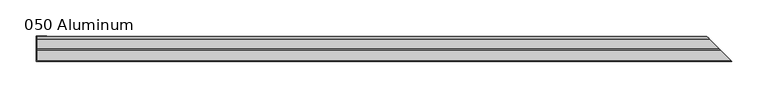
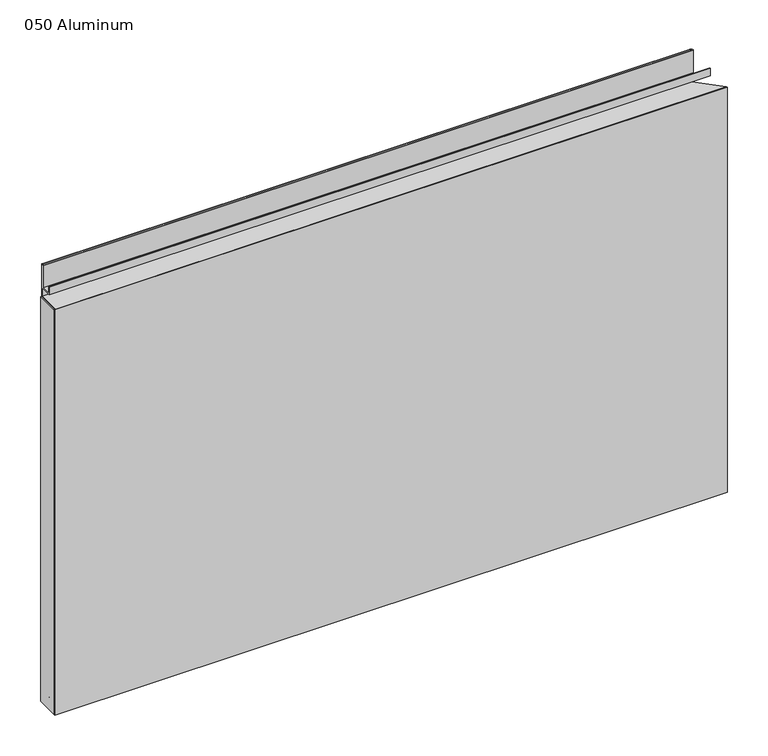
"""IFC4 building model written with IfcOpenShell, lengths in millimetres: plate geometry, 050 Aluminum."""

from ifc_helpers import new_model, si_unit, frame, origin, origin_with_axes, place, context, project, spatial, polyline, circle_curve, ellipse_curve, outline, extrude, source, transform, mapped, element, save
from ifc_brep_helpers import plane_surface, cylinder_surface, revolved_surface, advanced_brep


def plate_050_aluminum_8c71e866(model_context):
    return source(origin(), model_context, "Body", "SolidModel", [
        extrude(outline(polyline([(-459.1050001, -2.5660257), (-459.1050001, -34.7980001), (-460.375, -34.7980001), (-460.375, -1.2699999), (-446.2144995, -1.2699999), (-446.2144995, -2.5660257), (-459.1050001, -2.5660257)])), origin_with_axes(), (0.0, 0.0, 1.0), 608.33),
        advanced_brep(
        [(-459.1050001, -16.6765477, 13.1458337), (-459.1050001, -16.6765477, 2.786437), (-459.1050001, -17.9464915, 2.786437), (-459.1050001, -17.9464915, 13.1323356), (-459.1050001, -21.7564743, 13.124237), (-459.1050001, -21.7564743, 0.0), (-459.1050001, -34.7980002, 0.0), (-459.1050001, -34.7980002, 1.2693678), (-459.1050001, -23.0264743, 1.2693678), (-459.1050001, -23.0264743, 13.124237), (477.0515478, -16.6765477, 13.1458337), (477.0515478, -16.6765477, 2.786437), (478.3214916, -17.9464915, 2.786437), (478.3214916, -17.9464915, 13.1323356), (482.1314744, -21.7564743, 13.124237), (482.1314744, -21.7564743, 0.0), (495.1730001, -34.798, 0.0), (495.1730002, -34.7980002, 1.2693678), (483.4014744, -23.0264743, 1.2693678), (483.4014744, -23.0264743, 13.124237)],
        [
            (0, 1),
            (1, 2),
            (2, 3),
            (3, 4, circle_curve(frame((-459.1050001, -19.8514743, 13.124237), z_axis=(1.0, 0.0, 0.0), x_axis=(0.0, 0.0, -1.0)), 1.905)),
            (4, 5),
            (5, 6),
            (6, 7),
            (7, 8),
            (8, 9),
            (9, 0, circle_curve(frame((-459.1050001, -19.8514743, 13.124237), z_axis=(-1.0, 0.0, 0.0), x_axis=(0.0, 0.0, -1.0)), 3.175)),
            (0, 10),
            (10, 11),
            (11, 1),
            (11, 12),
            (12, 2),
            (12, 13),
            (13, 3),
            (13, 14, ellipse_curve(frame((480.2264744, -19.8514743, 13.124237), z_axis=(0.7071067811865491, 0.707106781186546, 0.0), x_axis=(0.7071067811865459, -0.7071067811865491, 0.0)), 2.6940768, 1.905)),
            (14, 4),
            (14, 15),
            (15, 5),
            (15, 16),
            (16, 6),
            (16, 17),
            (17, 7),
            (17, 18),
            (18, 8),
            (18, 19),
            (19, 9),
            (19, 10, ellipse_curve(frame((480.2264744, -19.8514743, 13.124237), z_axis=(-0.7071067811865491, -0.707106781186546, 0.0), x_axis=(-0.7071067811865459, 0.7071067811865491, 0.0)), 4.4901281, 3.175)),
        ],
        [
            plane_surface(frame((-459.1050001, -36.068, 0.0), z_axis=(-1.0, 0.0, 0.0), x_axis=(0.0, 0.0, 1.0))),
            plane_surface(frame((-459.1050001, -16.6765477, 13.1458337), z_axis=(0.0, 1.0, 0.0), x_axis=(1.0, 0.0, 0.0))),
            plane_surface(frame((-459.1050001, -16.6765477, 2.786437), z_axis=(0.0, 0.0, -1.0), x_axis=(1.0, 0.0, 0.0))),
            plane_surface(frame((-459.1050001, -17.9464915, 2.786437), z_axis=(0.0, -1.0, 0.0), x_axis=(1.0, 0.0, 0.0))),
            revolved_surface(polyline([(482.1314744, -19.8514743, 11.219237000000001), (-459.1050001, -19.8514743, 11.219237000000001)]), (-459.1050001, -19.8514743, 13.124237), (1.0, 0.0, 0.0)),
            plane_surface(frame((-459.1050001, -21.7564743, 13.124237), z_axis=(0.0, 1.0, 0.0), x_axis=(1.0, 0.0, 0.0))),
            plane_surface(frame((-459.1050001, -21.7564743, 0.0), z_axis=(0.0, 0.0, -1.0), x_axis=(1.0, 0.0, 0.0))),
            plane_surface(frame((-459.1050001, -34.7980002, 0.0), z_axis=(0.0, -1.0, 0.0), x_axis=(1.0, 0.0, 0.0))),
            plane_surface(frame((-459.1050001, -34.7980002, 1.2693678), z_axis=(0.0, 0.0, 1.0), x_axis=(1.0, 0.0, 0.0))),
            plane_surface(frame((-459.1050001, -23.0264743, 1.2693678), z_axis=(0.0, -1.0, 0.0), x_axis=(1.0, 0.0, 0.0))),
            cylinder_surface(frame((-459.1050001, -19.8514743, 13.124237), z_axis=(-1.0, 0.0, 0.0), x_axis=(0.0, 0.0, -1.0)), 3.175),
            plane_surface(frame((460.3750001, 0.0, 795.4549971), z_axis=(0.7071067811865491, 0.707106781186546, 0.0), x_axis=(0.0, 0.0, -1.0))),
        ],
        [
            (0, [[1, 2, 3, 4, 5, 6, 7, 8, 9, 10]]),
            (1, [[-1, 11, 12, 13]]),
            (2, [[-2, -13, 14, 15]]),
            (3, [[-3, -15, 16, 17]]),
            (4, [[-4, -17, 18, 19]]),
            (5, [[-5, -19, 20, 21]]),
            (6, [[-6, -21, 22, 23]]),
            (7, [[-7, -23, 24, 25]]),
            (8, [[-8, -25, 26, 27]]),
            (9, [[-9, -27, 28, 29]]),
            (10, [[-10, -29, 30, -11]]),
            (11, [[-12, -30, -28, -26, -24, -22, -20, -18, -16, -14]]),
        ],
    ),
        advanced_brep(
        [(-459.1050001, -2.0574743, 656.7932001), (-459.1050001, -2.0574743, 608.33), (-459.1050001, -34.7980002, 608.33), (-459.1050001, -34.7980002, 609.6000001), (-459.1050001, -3.3274743, 609.6000001), (-459.1050001, -3.3274743, 656.7932001), (-459.1050001, -4.0894742, 656.7932001), (-459.1050001, -4.0894742, 622.3), (-459.1050001, -20.4864742, 622.3), (-459.1050001, -20.4864742, 633.6538), (-459.1050001, -19.2164743, 633.6538), (-459.1050001, -19.2164743, 623.57), (-459.1050001, -5.3594742, 623.57), (-459.1050001, -5.3594742, 656.7932001), (462.4324744, -2.0574743, 656.7932001), (462.4324744, -2.0574743, 608.33), (495.1730001, -34.798, 608.33), (495.1730002, -34.7980002, 609.6000001), (463.7024744, -3.3274743, 609.6000001), (463.7024744, -3.3274743, 656.7932001), (464.4644742, -4.0894742, 656.7932001), (464.4644742, -4.0894742, 622.3), (480.8614743, -20.4864742, 622.3), (480.8614743, -20.4864742, 633.6538), (479.5914744, -19.2164743, 633.6538), (479.5914744, -19.2164743, 623.57), (465.7344742, -5.3594742, 623.57), (465.7344742, -5.3594742, 656.7932001)],
        [
            (0, 1),
            (1, 2),
            (2, 3),
            (3, 4),
            (4, 5),
            (5, 6, circle_curve(frame((-459.1050001, -3.7084742, 656.7932001), z_axis=(1.0, 0.0, 0.0), x_axis=(0.0, 0.0, -1.0)), 0.3809999)),
            (6, 7),
            (7, 8),
            (8, 9),
            (9, 10),
            (10, 11),
            (11, 12),
            (12, 13),
            (13, 0, circle_curve(frame((-459.1050001, -3.7084742, 656.7932001), z_axis=(-1.0, 0.0, 0.0), x_axis=(0.0, 0.0, -1.0)), 1.6509999)),
            (0, 14),
            (14, 15),
            (15, 1),
            (15, 16),
            (16, 2),
            (16, 17),
            (17, 3),
            (17, 18),
            (18, 4),
            (18, 19),
            (19, 5),
            (19, 20, ellipse_curve(frame((464.0834743, -3.7084742, 656.7932001), z_axis=(0.7071067811865491, 0.707106781186546, 0.0), x_axis=(0.7071067811865459, -0.7071067811865491, 0.0)), 0.5388153, 0.3809999)),
            (20, 6),
            (20, 21),
            (21, 7),
            (21, 22),
            (22, 8),
            (22, 23),
            (23, 9),
            (23, 24),
            (24, 10),
            (24, 25),
            (25, 11),
            (25, 26),
            (26, 12),
            (26, 27),
            (27, 13),
            (27, 14, ellipse_curve(frame((464.0834743, -3.7084742, 656.7932001), z_axis=(-0.7071067811865491, -0.707106781186546, 0.0), x_axis=(-0.7071067811865459, 0.7071067811865491, 0.0)), 2.3348665, 1.6509999)),
        ],
        [
            plane_surface(frame((-459.1050001, -36.068, 609.6), z_axis=(-1.0, 0.0, 0.0), x_axis=(0.0, 0.0, 1.0))),
            plane_surface(frame((-459.1050001, -2.0574743, 656.7932001), z_axis=(0.0, 1.0, 0.0), x_axis=(1.0, 0.0, 0.0))),
            plane_surface(frame((-459.1050001, -2.0574743, 608.33), z_axis=(0.0, 0.0, -1.0), x_axis=(1.0, 0.0, 0.0))),
            plane_surface(frame((-459.1050001, -34.7980002, 608.33), z_axis=(0.0, -1.0, 0.0), x_axis=(1.0, 0.0, 0.0))),
            plane_surface(frame((-459.1050001, -34.7980002, 609.6000001), z_axis=(0.0, 0.0, 1.0), x_axis=(1.0, 0.0, 0.0))),
            plane_surface(frame((-459.1050001, -3.3274743, 609.6000001), z_axis=(0.0, -1.0, 0.0), x_axis=(1.0, 0.0, 0.0))),
            revolved_surface(polyline([(464.46447425243696, -3.7084742, 656.4122002), (-459.1050001, -3.7084742, 656.4122002)]), (-459.1050001, -3.7084742, 656.7932001), (1.0, 0.0, 0.0)),
            plane_surface(frame((-459.1050001, -4.0894742, 656.7932001), z_axis=(0.0, 1.0, 0.0), x_axis=(1.0, 0.0, 0.0))),
            plane_surface(frame((-459.1050001, -4.0894742, 622.3), z_axis=(0.0, 0.0, -1.0), x_axis=(1.0, 0.0, 0.0))),
            plane_surface(frame((-459.1050001, -20.4864742, 622.3), z_axis=(0.0, -1.0, 0.0), x_axis=(1.0, 0.0, 0.0))),
            plane_surface(frame((-459.1050001, -20.4864742, 633.6538), z_axis=(0.0, 0.0, 1.0), x_axis=(1.0, 0.0, 0.0))),
            plane_surface(frame((-459.1050001, -19.2164743, 633.6538), z_axis=(0.0, 1.0, 0.0), x_axis=(1.0, 0.0, 0.0))),
            plane_surface(frame((-459.1050001, -19.2164743, 623.57), z_axis=(0.0, 0.0, 1.0), x_axis=(1.0, 0.0, 0.0))),
            plane_surface(frame((-459.1050001, -5.3594742, 623.57), z_axis=(0.0, -1.0, 0.0), x_axis=(1.0, 0.0, 0.0))),
            cylinder_surface(frame((-459.1050001, -3.7084742, 656.7932001), z_axis=(-1.0, 0.0, 0.0), x_axis=(0.0, 0.0, -1.0)), 1.6509999),
            plane_surface(frame((460.3750001, 0.0, 795.4549971), z_axis=(0.7071067811865491, 0.707106781186546, 0.0), x_axis=(0.0, 0.0, -1.0))),
        ],
        [
            (0, [[1, 2, 3, 4, 5, 6, 7, 8, 9, 10, 11, 12, 13, 14]]),
            (1, [[-1, 15, 16, 17]]),
            (2, [[-2, -17, 18, 19]]),
            (3, [[-3, -19, 20, 21]]),
            (4, [[-4, -21, 22, 23]]),
            (5, [[-5, -23, 24, 25]]),
            (6, [[-6, -25, 26, 27]]),
            (7, [[-7, -27, 28, 29]]),
            (8, [[-8, -29, 30, 31]]),
            (9, [[-9, -31, 32, 33]]),
            (10, [[-10, -33, 34, 35]]),
            (11, [[-11, -35, 36, 37]]),
            (12, [[-12, -37, 38, 39]]),
            (13, [[-13, -39, 40, 41]]),
            (14, [[-14, -41, 42, -15]]),
            (15, [[-16, -42, -40, -38, -36, -34, -32, -30, -28, -26, -24, -22, -20, -18]]),
        ],
    ),
        extrude(outline(polyline([(-460.3750001, -36.068), (-460.3750001, -34.7980001), (495.1730002, -34.7980001), (496.4430001, -36.068), (-460.3750001, -36.068)])), origin_with_axes(), (0.0, 0.0, 1.0), 609.6),
    ])


if __name__ == "__main__":
    model = new_model("IFC4")
    model_context = context("Model", 3, world=origin())
    ifc_project = project(units=[si_unit("LENGTHUNIT", "METRE", prefix="MILLI")], contexts=[model_context])
    site = spatial("IfcSite", under=ifc_project)
    building = spatial("IfcBuilding", under=site)
    placement = place(None, origin())
    plate_050_aluminum_shape = plate_050_aluminum_8c71e866(model_context)
    element("IfcPlate", 1, ObjectType="050 Aluminum", at=placement, inside=building, context=model_context, shape_type="MappedRepresentation", body=[
        mapped(plate_050_aluminum_shape, transform((0.0, 0.0, 0.0), x_axis=(1.0, 0.0, 0.0), y_axis=(0.0, 1.0, 0.0), z_axis=(0.0, 0.0, 1.0))),
    ])
    save(model, "model.ifc")
